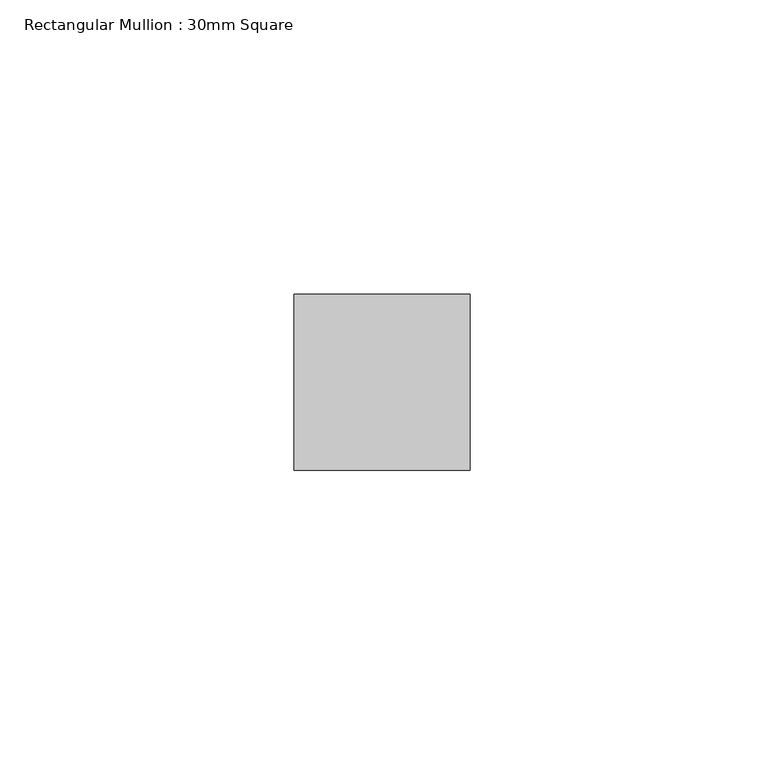
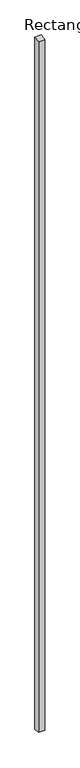
"""IFC4 building model written with IfcOpenShell, lengths in millimetres: member geometry, Rectangular Mullion : 30mm Square."""

from ifc_helpers import new_model, si_unit, frame, origin, place, context, project, spatial, polyline, outline, extrude, source, transform, mapped, element, save


def rectangular_mullion_30mm_square_523e9d2d(model_context):
    return source(origin(), model_context, "Body", "SweptSolid", [
        extrude(outline(polyline([(-15.0, -2.374879), (15.0, 2.374879), (15.0, -3443.9339975), (-15.0, -3439.1824643), (-15.0, -2.374879)])), frame((-15.0, 0.0, 0.0), z_axis=(1.0, 0.0, 0.0), x_axis=(0.0, 1.0, 0.0)), (0.0, 0.0, 1.0), 30.0),
    ])


if __name__ == "__main__":
    model = new_model("IFC4")
    model_context = context("Model", 3, world=origin())
    ifc_project = project(units=[si_unit("LENGTHUNIT", "METRE", prefix="MILLI")], contexts=[model_context])
    site = spatial("IfcSite", under=ifc_project)
    building = spatial("IfcBuilding", under=site)
    placement = place(None, origin())
    rectangular_mullion_30mm_square_shape = rectangular_mullion_30mm_square_523e9d2d(model_context)
    element("IfcMember", 1, ObjectType="Rectangular Mullion : 30mm Square", at=placement, inside=building, context=model_context, shape_type="MappedRepresentation", body=[
        mapped(rectangular_mullion_30mm_square_shape, transform((0.0, 0.0, 0.0), x_axis=(1.0, 0.0, 0.0), y_axis=(0.0, 1.0, 0.0), z_axis=(0.0, 0.0, 1.0))),
    ])
    save(model, "model.ifc")
